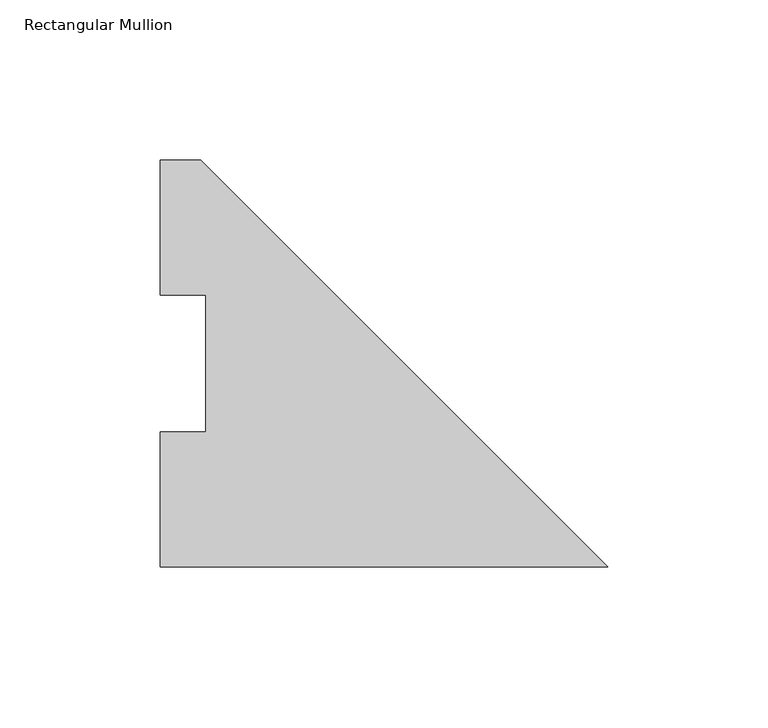
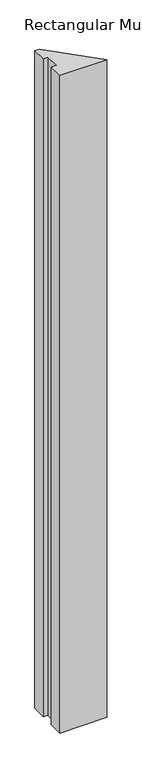
"""IFC4 building model written with IfcOpenShell, lengths in millimetres: member geometry, Rectangular Mullion."""

from ifc_helpers import new_model, si_unit, frame, origin, place, context, project, spatial, polyline, outline, extrude, source, transform, mapped, element, save


def rectangular_mullion_74f5033d(model_context):
    return source(origin(), model_context, "Body", "SweptSolid", [
        extrude(outline(polyline([(-139.7, -0.2913062), (-139.7, 41.7837938), (-125.4125, 41.7837938), (-125.4125, 84.6335938), (-139.7, 84.6335938), (-139.7, 126.7086938), (-127.0, 126.7086938), (0.0, -0.2913062), (-139.7, -0.2913062)])), frame((0.0, 0.0, -2057.4), z_axis=(0.0, 0.0, 1.0), x_axis=(1.0, 0.0, 0.0)), (0.0, 0.0, 1.0), 2057.4),
    ])


if __name__ == "__main__":
    model = new_model("IFC4")
    model_context = context("Model", 3, world=origin())
    ifc_project = project(units=[si_unit("LENGTHUNIT", "METRE", prefix="MILLI")], contexts=[model_context])
    site = spatial("IfcSite", under=ifc_project)
    building = spatial("IfcBuilding", under=site)
    placement = place(None, origin())
    rectangular_mullion_shape = rectangular_mullion_74f5033d(model_context)
    element("IfcMember", 1, ObjectType="Rectangular Mullion", at=placement, inside=building, context=model_context, shape_type="MappedRepresentation", body=[
        mapped(rectangular_mullion_shape, transform((0.0, 0.0, 0.0), x_axis=(1.0, 0.0, 0.0), y_axis=(0.0, 1.0, 0.0), z_axis=(0.0, 0.0, 1.0))),
    ])
    save(model, "model.ifc")
